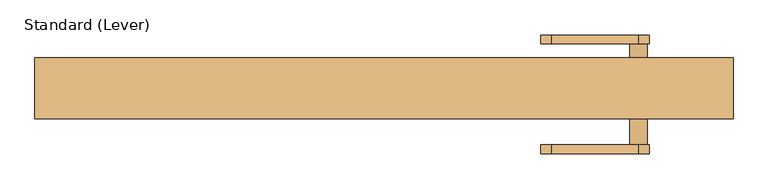
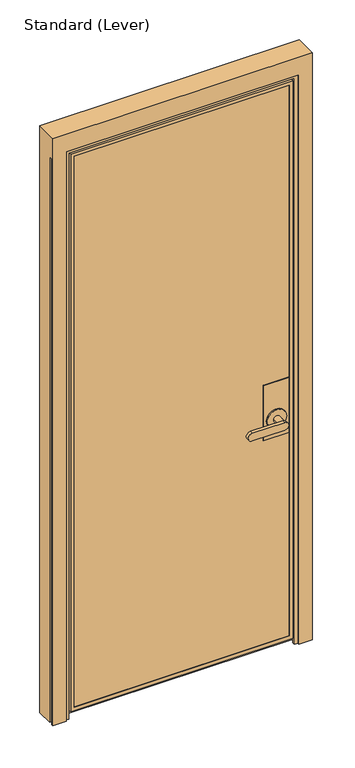
"""IFC4 building model written with IfcOpenShell, lengths in millimetres: door geometry, Standard (Lever)."""

from ifc_helpers import new_model, si_unit, frame, origin, place, context, project, spatial, polyline, circle_curve, outline, extrude, faceted_brep, source, transform, mapped, element, save
from ifc_brep_helpers import plane_surface, cylinder_surface, advanced_brep


def standard_lever_1a2c585e(model_context):
    return source(origin(), model_context, "Body", "SolidModel", [
        advanced_brep(
        [(422.2749977, 20.6375, 1117.6), (320.6749977, 20.6375, 1117.6), (320.6749977, -26.9875, 1117.6), (422.2749977, -26.9875, 1117.6), (422.2749977, 20.6375, 889.0), (422.2749977, -26.9875, 889.0), (320.6749977, -26.9875, 889.0), (320.6749977, 20.6375, 889.0), (409.5749977, 20.6375, 965.2), (333.3749977, 20.6375, 965.2), (384.1749977, 25.4, 965.2), (358.7749977, 25.4, 965.2), (358.7749977, 65.0875, 965.2), (384.1749977, 65.0875, 965.2), (409.5749977, 25.4, 965.2), (333.3749977, 25.4, 965.2), (371.4749977, 65.0875, 949.325), (371.4749977, 65.0875, 981.075), (244.4749977, 65.0875, 981.075), (244.4749977, 65.0875, 949.325), (371.4749977, 77.7875, 949.325), (244.4749977, 77.7875, 949.325), (244.4749977, 77.7875, 981.075), (371.4749977, 77.7875, 981.075)],
        [
            (0, 1),
            (1, 2),
            (2, 3),
            (3, 0),
            (4, 5),
            (5, 6),
            (6, 7),
            (7, 4),
            (3, 5),
            (4, 0),
            (2, 6),
            (1, 7),
            (8, 9, circle_curve(frame((371.4749977, 20.6375, 965.2), z_axis=(0.0, -1.0, 0.0), x_axis=(-1.0, 0.0, 0.0)), 38.1)),
            (9, 8, circle_curve(frame((371.4749977, 20.6375, 965.2), z_axis=(0.0, -1.0, 0.0), x_axis=(-1.0, 0.0, 0.0)), 38.1)),
            (10, 11, circle_curve(frame((371.4749977, 25.4, 965.2), z_axis=(0.0, 1.0, 0.0), x_axis=(-1.0, 0.0, 0.0)), 12.7)),
            (11, 12),
            (12, 13, circle_curve(frame((371.4749977, 65.0875, 965.2), z_axis=(0.0, -1.0, 0.0), x_axis=(-1.0, 0.0, 0.0)), 12.7)),
            (13, 10),
            (13, 12, circle_curve(frame((371.4749977, 65.0875, 965.2), z_axis=(0.0, -1.0, 0.0), x_axis=(-1.0, 0.0, 0.0)), 12.7)),
            (11, 10, circle_curve(frame((371.4749977, 25.4, 965.2), z_axis=(0.0, 1.0, 0.0), x_axis=(-1.0, 0.0, 0.0)), 12.7)),
            (14, 15, circle_curve(frame((371.4749977, 25.4, 965.2), z_axis=(0.0, 1.0, 0.0), x_axis=(-1.0, 0.0, 0.0)), 38.1)),
            (15, 14, circle_curve(frame((371.4749977, 25.4, 965.2), z_axis=(0.0, 1.0, 0.0), x_axis=(-1.0, 0.0, 0.0)), 38.1)),
            (14, 8),
            (9, 15),
            (16, 17, circle_curve(frame((371.4749977, 65.0875, 965.2), z_axis=(0.0, -1.0, 0.0), x_axis=(-1.0, 0.0, 0.0)), 15.875)),
            (17, 18),
            (18, 19, circle_curve(frame((244.4749977, 65.0875, 965.2), z_axis=(0.0, -1.0, 0.0), x_axis=(-1.0, 0.0, 0.0)), 15.875)),
            (19, 16),
            (20, 21),
            (21, 22, circle_curve(frame((244.4749977, 77.7875, 965.2), z_axis=(0.0, 1.0, 0.0), x_axis=(-1.0, 0.0, 0.0)), 15.875)),
            (22, 23),
            (23, 20, circle_curve(frame((371.4749977, 77.7875, 965.2), z_axis=(0.0, 1.0, 0.0), x_axis=(-1.0, 0.0, 0.0)), 15.875)),
            (19, 21),
            (20, 16),
            (18, 22),
            (17, 23),
        ],
        [
            plane_surface(frame((422.2749977, 87.8442978, 1117.6), z_axis=(0.0, 0.0, 1.0), x_axis=(0.0, -1.0, 0.0))),
            plane_surface(frame((422.2749977, 87.8442978, 889.0), z_axis=(0.0, 0.0, -1.0), x_axis=(0.0, 1.0, 0.0))),
            plane_surface(frame((422.2749977, 20.6375, 1117.6), z_axis=(1.0, 0.0, 0.0), x_axis=(0.0, 0.0, -1.0))),
            plane_surface(frame((422.2749977, -26.9875, 1117.6), z_axis=(0.0, -1.0, 0.0), x_axis=(0.0, 0.0, -1.0))),
            plane_surface(frame((320.6749977, -26.9875, 1117.6), z_axis=(-1.0, 0.0, 0.0), x_axis=(0.0, 0.0, -1.0))),
            plane_surface(frame((320.6749977, 20.6375, 1117.6), z_axis=(0.0, 1.0, 0.0), x_axis=(0.0, 0.0, -1.0))),
            cylinder_surface(frame((371.4749977, 65.0875, 965.2), z_axis=(0.0, -1.0, 0.0), x_axis=(-1.0, 0.0, 0.0)), 12.7),
            plane_surface(frame((333.3749977, 25.4, 965.2), z_axis=(0.0, 1.0, 0.0), x_axis=(0.0, 0.0, -1.0))),
            cylinder_surface(frame((371.4749977, 25.4, 965.2), z_axis=(0.0, -1.0, 0.0), x_axis=(-1.0, 0.0, 0.0)), 38.1),
            plane_surface(frame((371.4749977, 65.0875, 949.325), z_axis=(0.0, -1.0, 0.0), x_axis=(-1.0, 0.0, 0.0))),
            plane_surface(frame((371.4749977, 77.7875, 949.325), z_axis=(0.0, 1.0, 0.0), x_axis=(1.0, 0.0, 0.0))),
            plane_surface(frame((371.4749977, 65.0875, 949.325), z_axis=(0.0, 0.0, -1.0), x_axis=(0.0, 1.0, 0.0))),
            cylinder_surface(frame((244.4749977, 77.7875, 965.2), z_axis=(0.0, -1.0, 0.0), x_axis=(-1.0, 0.0, 0.0)), 15.875),
            plane_surface(frame((244.4749977, 65.0875, 981.075), z_axis=(0.0, 0.0, 1.0), x_axis=(0.0, 1.0, 0.0))),
            cylinder_surface(frame((371.4749977, 77.7875, 965.2), z_axis=(0.0, -1.0, 0.0), x_axis=(-1.0, 0.0, 0.0)), 15.875),
        ],
        [
            (0, [[1, 2, 3, 4]]),
            (1, [[5, 6, 7, 8]]),
            (2, [[9, -5, 10, -4]]),
            (3, [[11, -6, -9, -3]]),
            (4, [[12, -7, -11, -2]]),
            (5, [[-10, -8, -12, -1], [13, 14]]),
            (6, [[15, 16, 17, 18]]),
            (6, [[19, -16, 20, -18]]),
            (7, [[21, 22], [-20, -15]]),
            (8, [[23, -14, 24, -21]]),
            (8, [[-24, -13, -23, -22]]),
            (9, [[25, 26, 27, 28], [-19, -17]]),
            (10, [[29, 30, 31, 32]]),
            (11, [[33, -29, 34, -28]]),
            (12, [[35, -30, -33, -27]]),
            (13, [[36, -31, -35, -26]]),
            (14, [[-34, -32, -36, -25]]),
        ],
    ),
        advanced_brep(
        [(422.2749977, -36.5125, 1117.6), (320.6749977, -36.5125, 1117.6), (320.6749977, -38.1, 1117.6), (422.2749977, -38.1, 1117.6), (422.2749977, -36.5125, 889.0), (422.2749977, -38.1, 889.0), (320.6749977, -38.1, 889.0), (320.6749977, -36.5125, 889.0), (409.5749977, -42.8625, 965.2), (333.3749977, -42.8625, 965.2), (358.7749977, -42.8625, 965.2), (384.1749977, -42.8625, 965.2), (333.3749977, -38.1, 965.2), (409.5749977, -38.1, 965.2), (384.1749977, -82.55, 965.2), (358.7749977, -82.55, 965.2), (244.4749977, -95.25, 949.325), (371.4749977, -95.25, 949.325), (371.4749977, -95.25, 981.075), (244.4749977, -95.25, 981.075), (244.4749977, -82.55, 949.325), (244.4749977, -82.55, 981.075), (371.4749977, -82.55, 981.075), (371.4749977, -82.55, 949.325)],
        [
            (0, 1),
            (1, 2),
            (2, 3),
            (3, 0),
            (4, 5),
            (5, 6),
            (6, 7),
            (7, 4),
            (3, 5),
            (4, 0),
            (1, 7),
            (6, 2),
            (8, 9, circle_curve(frame((371.4749977, -42.8625, 965.2), z_axis=(0.0, -1.0, 0.0), x_axis=(-1.0, 0.0, 0.0)), 38.1)),
            (9, 8, circle_curve(frame((371.4749977, -42.8625, 965.2), z_axis=(0.0, -1.0, 0.0), x_axis=(-1.0, 0.0, 0.0)), 38.1)),
            (10, 11, circle_curve(frame((371.4749977, -42.8625, 965.2), z_axis=(0.0, 1.0, 0.0), x_axis=(-1.0, 0.0, 0.0)), 12.7)),
            (11, 10, circle_curve(frame((371.4749977, -42.8625, 965.2), z_axis=(0.0, 1.0, 0.0), x_axis=(-1.0, 0.0, 0.0)), 12.7)),
            (9, 12),
            (12, 13, circle_curve(frame((371.4749977, -38.1, 965.2), z_axis=(0.0, -1.0, 0.0), x_axis=(-1.0, 0.0, 0.0)), 38.1)),
            (13, 8),
            (13, 12, circle_curve(frame((371.4749977, -38.1, 965.2), z_axis=(0.0, -1.0, 0.0), x_axis=(-1.0, 0.0, 0.0)), 38.1)),
            (14, 15, circle_curve(frame((371.4749977, -82.55, 965.2), z_axis=(0.0, 1.0, 0.0), x_axis=(-1.0, 0.0, 0.0)), 12.7)),
            (15, 10),
            (11, 14),
            (15, 14, circle_curve(frame((371.4749977, -82.55, 965.2), z_axis=(0.0, 1.0, 0.0), x_axis=(-1.0, 0.0, 0.0)), 12.7)),
            (16, 17),
            (17, 18, circle_curve(frame((371.4749977, -95.25, 965.2), z_axis=(0.0, -1.0, 0.0), x_axis=(-1.0, 0.0, 0.0)), 15.875)),
            (18, 19),
            (19, 16, circle_curve(frame((244.4749977, -95.25, 965.2), z_axis=(0.0, -1.0, 0.0), x_axis=(-1.0, 0.0, 0.0)), 15.875)),
            (20, 21, circle_curve(frame((244.4749977, -82.55, 965.2), z_axis=(0.0, 1.0, 0.0), x_axis=(-1.0, 0.0, 0.0)), 15.875)),
            (21, 22),
            (22, 23, circle_curve(frame((371.4749977, -82.55, 965.2), z_axis=(0.0, 1.0, 0.0), x_axis=(-1.0, 0.0, 0.0)), 15.875)),
            (23, 20),
            (19, 21),
            (20, 16),
            (18, 22),
            (17, 23),
        ],
        [
            plane_surface(frame((422.2749977, 87.8442978, 1117.6), z_axis=(0.0, 0.0, 1.0), x_axis=(0.0, -1.0, 0.0))),
            plane_surface(frame((422.2749977, 87.8442978, 889.0), z_axis=(0.0, 0.0, -1.0), x_axis=(0.0, 1.0, 0.0))),
            plane_surface(frame((422.2749977, -36.5125, 1117.6), z_axis=(1.0, 0.0, 0.0), x_axis=(0.0, 0.0, -1.0))),
            plane_surface(frame((320.6749977, -38.1, 1117.6), z_axis=(-1.0, 0.0, 0.0), x_axis=(0.0, 0.0, -1.0))),
            plane_surface(frame((320.6749977, -36.5125, 1117.6), z_axis=(0.0, 1.0, 0.0), x_axis=(0.0, 0.0, -1.0))),
            plane_surface(frame((333.3749977, -42.8625, 965.2), z_axis=(0.0, -1.0, 0.0), x_axis=(0.0, 0.0, 1.0))),
            cylinder_surface(frame((371.4749977, -38.1, 965.2), z_axis=(0.0, -1.0, 0.0), x_axis=(-1.0, 0.0, 0.0)), 38.1),
            cylinder_surface(frame((371.4749977, -39.6875, 965.2), z_axis=(0.0, -1.0, 0.0), x_axis=(-1.0, 0.0, 0.0)), 12.7),
            plane_surface(frame((228.5999977, -95.25, 965.2), z_axis=(0.0, -1.0, 0.0), x_axis=(0.0, 0.0, 1.0))),
            plane_surface(frame((228.5999977, -82.55, 965.2), z_axis=(0.0, 1.0, 0.0), x_axis=(0.0, 0.0, -1.0))),
            cylinder_surface(frame((244.4749977, -82.55, 965.2), z_axis=(0.0, -1.0, 0.0), x_axis=(-1.0, 0.0, 0.0)), 15.875),
            plane_surface(frame((244.4749977, -95.25, 981.075), z_axis=(0.0, 0.0, 1.0), x_axis=(0.0, 1.0, 0.0))),
            cylinder_surface(frame((371.4749977, -82.55, 965.2), z_axis=(0.0, -1.0, 0.0), x_axis=(-1.0, 0.0, 0.0)), 15.875),
            plane_surface(frame((371.4749977, -95.25, 949.325), z_axis=(0.0, 0.0, -1.0), x_axis=(0.0, 1.0, 0.0))),
            plane_surface(frame((422.2749977, -38.1, 1117.6), z_axis=(0.0, -1.0, 0.0), x_axis=(0.0, 0.0, -1.0))),
        ],
        [
            (0, [[1, 2, 3, 4]]),
            (1, [[5, 6, 7, 8]]),
            (2, [[9, -5, 10, -4]]),
            (3, [[11, -7, 12, -2]]),
            (4, [[-10, -8, -11, -1]]),
            (5, [[13, 14], [15, 16]]),
            (6, [[17, 18, 19, -14]]),
            (6, [[-19, 20, -17, -13]]),
            (7, [[21, 22, -16, 23]]),
            (7, [[-15, -22, 24, -23]]),
            (8, [[25, 26, 27, 28]]),
            (9, [[29, 30, 31, 32], [-24, -21]]),
            (10, [[33, -29, 34, -28]]),
            (11, [[35, -30, -33, -27]]),
            (12, [[36, -31, -35, -26]]),
            (13, [[-34, -32, -36, -25]]),
            (14, [[-12, -6, -9, -3], [-20, -18]]),
        ],
    ),
        extrude(outline(polyline([(434.9749977, -36.5125), (-434.9749977, -36.5125), (-434.9749977, -26.9875), (434.9749977, -26.9875), (434.9749977, -36.5125)])), frame((0.0, 0.0, 30.1625), z_axis=(0.0, 0.0, 1.0), x_axis=(1.0, 0.0, 0.0)), (0.0, 0.0, 1.0), 2312.9875),
        faceted_brep([(-434.9749977, -36.5125, 2343.15), (-434.9749977, -36.5125, 30.1625), (-434.9749977, -26.9875, 30.1625), (-434.9749977, -26.9875, 2343.15), (434.9749977, -26.9875, 30.1625), (434.9749977, -26.9875, 2343.15), (-422.2749977, -26.9875, 42.8625), (-422.2749977, -26.9875, 2330.45), (422.2749977, -26.9875, 2330.45), (422.2749977, -26.9875, 42.8625), (434.9749977, -36.5125, 30.1625), (434.9749977, -36.5125, 2343.15), (-422.2749977, -36.5125, 2330.45), (-422.2749977, -36.5125, 42.8625), (422.2749977, -36.5125, 42.8625), (422.2749977, -36.5125, 2330.45), (-422.2749977, -38.1, 2330.45), (-422.2749977, -38.1, 42.8625), (422.2749977, -38.1, 42.8625), (-436.5624977, -38.1, 2344.7375), (-436.5624977, -38.1, 28.575), (436.5624977, -38.1, 28.575), (436.5624977, -38.1, 2344.7375), (422.2749977, -38.1, 2330.45), (-436.5624977, -23.8125, 2344.7375), (-436.5624977, -23.8125, 28.575), (436.5624977, -23.8125, 28.575), (-452.4374977, -23.8125, 2360.6125), (-452.4374977, -23.8125, 12.7), (452.4374977, -23.8125, 12.7), (452.4374977, -23.8125, 2360.6125), (436.5624977, -23.8125, 2344.7375), (-452.4374977, 20.6375, 2360.6125), (-452.4374977, 20.6375, 12.7), (452.4374977, 20.6375, 12.7), (452.4374977, 20.6375, 2360.6125), (-422.2749977, 20.6375, 2330.45), (-422.2749977, 20.6375, 42.8625), (422.2749977, 20.6375, 42.8625), (422.2749977, 20.6375, 2330.45)], [[[0, 1, 2, 3]], [[3, 2, 4, 5], [6, 7, 8, 9]], [[1, 10, 4, 2]], [[1, 0, 11, 10], [12, 13, 14, 15]], [[16, 17, 13, 12]], [[17, 18, 14, 13]], [[19, 20, 21, 22], [17, 16, 23, 18]], [[24, 25, 20, 19]], [[25, 26, 21, 20]], [[27, 28, 29, 30], [25, 24, 31, 26]], [[32, 33, 28, 27]], [[33, 34, 29, 28]], [[33, 32, 35, 34], [36, 37, 38, 39]], [[10, 11, 5, 4]], [[18, 23, 15, 14]], [[26, 31, 22, 21]], [[34, 35, 30, 29]], [[7, 6, 37, 36]], [[6, 9, 38, 37]], [[9, 8, 39, 38]], [[11, 0, 3, 5]], [[23, 16, 12, 15]], [[31, 24, 19, 22]], [[35, 32, 27, 30]], [[8, 7, 36, 39]]]),
        faceted_brep([(509.5875, -26.9875, 2365.375), (509.5875, -21.749999, 2365.375), (509.5875, -21.749999, 0.0), (509.5875, 44.45, 0.0), (509.5875, 44.45, 2438.4), (509.5875, -44.45, 2438.4), (509.5875, -44.45, 0.0), (509.5875, -38.1499897, 0.0), (509.5875, -38.1, 2351.0875), (509.5875, -26.9875, 2351.0875), (503.1132531, -38.1499897, 0.0), (503.1632427, -38.1499897, 2351.0875), (457.1999977, 44.45, 0.0), (503.1132562, -21.749999, 0.0), (502.1132405, -20.7499834, 0.0), (503.6875134, -20.7499834, 0.0), (503.6875134, -18.949936, 0.0), (498.6875186, -18.949936, 0.0), (498.6875186, -20.7499834, 0.0), (500.261756, -20.7499834, 0.0), (499.2617434, -21.7499959, 0.0), (477.8375, -21.7499959, 0.0), (477.8375, -38.1499966, 0.0), (499.2617503, -38.1499966, 0.0), (500.261756, -39.1500023, 0.0), (498.6874831, -39.1500023, 0.0), (498.6874831, -40.9498819, 0.0), (503.6874778, -40.9498819, 0.0), (503.6874778, -39.1500023, 0.0), (502.1132405, -39.1500023, 0.0), (457.1999977, -44.45, 0.0), (457.1999977, -38.1, 0.0), (442.9124977, -38.1, 0.0), (442.9124977, -26.9875, 0.0), (457.1999977, -26.9875, 0.0), (-509.5874977, -44.45, 0.0), (-457.1999977, -44.45, 0.0), (-457.1999977, -44.45, 2365.375), (457.1999977, -44.45, 2365.375), (-509.5875, -44.45, 2438.4), (-509.5875, 44.45, 2438.4), (457.1999977, 44.45, 2365.375), (-457.1999977, 44.45, 2365.375), (-457.1999977, 44.45, 0.0), (-509.5875, 44.45, 0.0), (503.1132562, -21.749999, 2365.375), (-457.1999977, -26.9875, 0.0), (-442.9124977, -26.9875, 0.0), (-442.9124977, -38.1, 0.0), (-457.1999977, -38.1, 0.0), (-509.5874977, -38.1499897, 0.0), (-503.1132531, -38.1499897, 0.0), (-502.1132405, -39.1500023, 0.0), (-503.6874778, -39.1500023, 0.0), (-503.6874778, -40.9498819, 0.0), (-498.6874831, -40.9498819, 0.0), (-498.6874831, -39.1500023, 0.0), (-500.261756, -39.1500023, 0.0), (-499.2617503, -38.1499966, 0.0), (-477.8375, -38.1499966, 0.0), (-477.8375, -21.7499959, 0.0), (-499.2617434, -21.7499959, 0.0), (-500.261756, -20.7499834, 0.0), (-498.6875186, -20.7499834, 0.0), (-498.6875186, -18.949936, 0.0), (-503.6875134, -18.949936, 0.0), (-503.6875134, -20.7499834, 0.0), (-502.1132405, -20.7499834, 0.0), (-503.1132562, -21.749999, 0.0), (-509.5875, -21.749999, 0.0), (-509.5875, -21.749999, 2365.375), (-509.5875, -26.9875, 2365.375), (-509.5875, -26.9875, 2351.0875), (-509.5875, -38.1, 2351.0875), (-503.1632427, -38.1499897, 2351.0875), (-503.1132562, -21.749999, 2365.375), (-457.1999977, -26.9875, 2365.375), (457.1999977, -26.9875, 2365.375), (457.1999977, -38.1, 2365.375), (-457.1999977, -38.1, 2365.375), (442.9124977, -26.9875, 2351.0875), (-442.9124977, -26.9875, 2351.0875), (477.8375, -26.9875, 2351.0875), (477.8375, -26.9875, 2365.375), (-477.8375, -26.9875, 2365.375), (-477.8375, -26.9875, 2351.0875), (-442.9124977, -38.1, 2351.0875), (442.9124977, -38.1, 2351.0875), (503.1632427, -38.1, 2365.375), (499.2117537, -38.1, 2365.375), (499.2117537, -38.1, 2351.0875), (-499.2117537, -38.1, 2351.0875), (-499.2117537, -38.1, 2365.375), (-503.1632427, -38.1, 2365.375), (502.1132405, -39.1500023, 2365.375), (503.6874778, -39.1500023, 2365.375), (503.6874778, -40.9498819, 2365.375), (498.6874831, -40.9498819, 2365.375), (498.6874831, -39.1500023, 2365.375), (500.261756, -39.1500023, 2365.375), (477.8375, -38.1499966, 2351.0875), (477.8375, -21.7499959, 2365.375), (499.2617434, -21.7499959, 2365.375), (500.261756, -20.7499834, 2365.375), (498.6875186, -20.7499834, 2365.375), (498.6875186, -18.949936, 2365.375), (503.6875134, -18.949936, 2365.375), (503.6875134, -20.7499834, 2365.375), (502.1132405, -20.7499834, 2365.375), (-502.1132405, -20.7499834, 2365.375), (-503.6875134, -20.7499834, 2365.375), (-503.6875134, -18.949936, 2365.375), (-498.6875186, -18.949936, 2365.375), (-498.6875186, -20.7499834, 2365.375), (-500.261756, -20.7499834, 2365.375), (-499.2617434, -21.7499959, 2365.375), (-477.8375, -21.7499959, 2365.375), (-477.8375, -38.1, 2351.0875), (-500.261756, -39.1500023, 2365.375), (-498.6874831, -39.1500023, 2365.375), (-498.6874831, -40.9498819, 2365.375), (-503.6874778, -40.9498819, 2365.375), (-503.6874778, -39.1500023, 2365.375), (-502.1132405, -39.1500023, 2365.375)], [[[0, 1, 2, 3, 4, 5, 6, 7, 8, 9]], [[10, 11, 8, 7]], [[12, 3, 2, 13, 14, 15, 16, 17, 18, 19, 20, 21, 22, 23, 24, 25, 26, 27, 28, 29, 10, 7, 6, 30, 31, 32, 33, 34]], [[35, 36, 37, 38, 30, 6, 5, 39]], [[40, 4, 3, 12, 41, 42, 43, 44]], [[2, 1, 45, 13]], [[43, 46, 47, 48, 49, 36, 35, 50, 51, 52, 53, 54, 55, 56, 57, 58, 59, 60, 61, 62, 63, 64, 65, 66, 67, 68, 69, 44]], [[35, 39, 40, 44, 69, 70, 71, 72, 73, 50]], [[50, 73, 74, 51]], [[68, 75, 70, 69]], [[43, 42, 76, 46]], [[34, 77, 41, 12]], [[30, 38, 78, 31]], [[79, 37, 36, 49]], [[33, 80, 81, 47, 46, 76, 77, 34]], [[9, 82, 83, 0]], [[71, 84, 85, 72]], [[47, 81, 86, 48]], [[32, 87, 80, 33]], [[31, 78, 79, 49, 48, 86, 87, 32]], [[11, 88, 89, 90]], [[91, 92, 93, 74]], [[29, 94, 88, 11, 10]], [[28, 95, 94, 29]], [[27, 96, 95, 28]], [[26, 97, 96, 27]], [[25, 98, 97, 26]], [[24, 99, 98, 25]], [[23, 90, 89, 99, 24]], [[22, 100, 90, 23]], [[21, 101, 83, 82, 100, 22]], [[20, 102, 101, 21]], [[19, 103, 102, 20]], [[18, 104, 103, 19]], [[17, 105, 104, 18]], [[16, 106, 105, 17]], [[15, 107, 106, 16]], [[14, 108, 107, 15]], [[13, 45, 108, 14]], [[67, 109, 75, 68]], [[66, 110, 109, 67]], [[65, 111, 110, 66]], [[64, 112, 111, 65]], [[63, 113, 112, 64]], [[62, 114, 113, 63]], [[61, 115, 114, 62]], [[60, 116, 115, 61]], [[59, 117, 85, 84, 116, 60]], [[58, 91, 117, 59]], [[57, 118, 92, 91, 58]], [[56, 119, 118, 57]], [[55, 120, 119, 56]], [[54, 121, 120, 55]], [[53, 122, 121, 54]], [[52, 123, 122, 53]], [[51, 74, 93, 123, 52]], [[72, 85, 117, 91, 74, 73]], [[8, 11, 90, 100, 82, 9]], [[87, 86, 81, 80]], [[40, 39, 5, 4]], [[0, 83, 101, 102, 103, 104, 105, 106, 107, 108, 45, 1]], [[70, 75, 109, 110, 111, 112, 113, 114, 115, 116, 84, 71]], [[76, 42, 41, 77]], [[38, 37, 79, 78]], [[88, 94, 95, 96, 97, 98, 99, 89]], [[92, 118, 119, 120, 121, 122, 123, 93]]]),
    ])


if __name__ == "__main__":
    model = new_model("IFC4")
    model_context = context("Model", 3, world=origin())
    ifc_project = project(units=[si_unit("LENGTHUNIT", "METRE", prefix="MILLI")], contexts=[model_context])
    site = spatial("IfcSite", under=ifc_project)
    building = spatial("IfcBuilding", under=site)
    placement = place(None, origin())
    standard_lever_shape = standard_lever_1a2c585e(model_context)
    element("IfcDoor", 1, ObjectType="Standard (Lever)", at=placement, inside=building, context=model_context, shape_type="MappedRepresentation", body=[
        mapped(standard_lever_shape, transform((0.0, 0.0, 0.0), x_axis=(1.0, 0.0, 0.0), y_axis=(0.0, 1.0, 0.0), z_axis=(0.0, 0.0, 1.0))),
    ])
    save(model, "model.ifc")
